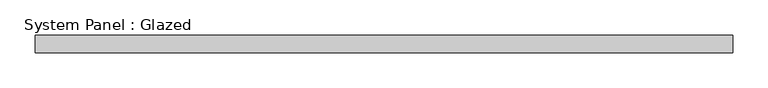
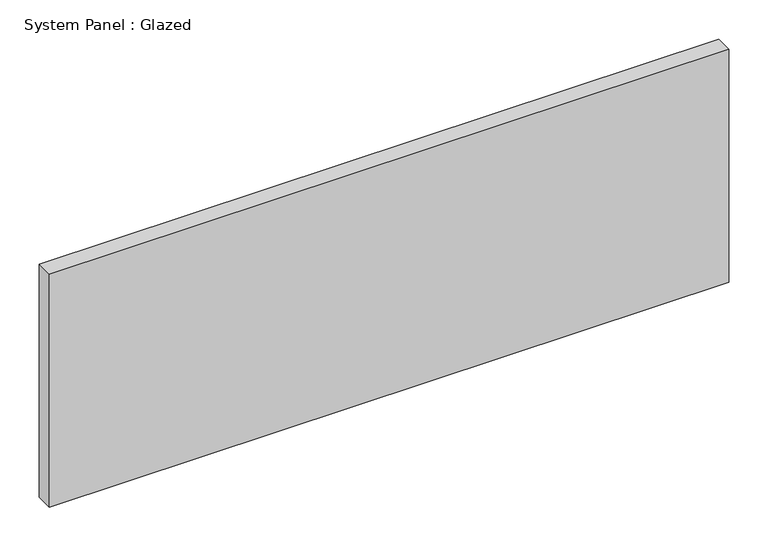
"""IFC4 building model written with IfcOpenShell, lengths in millimetres: plate geometry, System Panel : Glazed."""

from ifc_helpers import new_model, si_unit, origin, origin_with_axes, place, context, project, spatial, polyline, outline, extrude, source, transform, mapped, element, save


def system_panel_glazed_cc0f7331(model_context):
    return source(origin(), model_context, "Body", "SweptSolid", [
        extrude(outline(polyline([(498.475, -12.7), (-498.475, -12.7), (-498.475, 12.7), (498.475, 12.7), (498.475, -12.7)])), origin_with_axes(), (0.0, 0.0, 1.0), 361.45),
    ])


if __name__ == "__main__":
    model = new_model("IFC4")
    model_context = context("Model", 3, world=origin())
    ifc_project = project(units=[si_unit("LENGTHUNIT", "METRE", prefix="MILLI")], contexts=[model_context])
    site = spatial("IfcSite", under=ifc_project)
    building = spatial("IfcBuilding", under=site)
    placement = place(None, origin())
    system_panel_glazed_shape = system_panel_glazed_cc0f7331(model_context)
    element("IfcPlate", 1, ObjectType="System Panel : Glazed", at=placement, inside=building, context=model_context, shape_type="MappedRepresentation", body=[
        mapped(system_panel_glazed_shape, transform((0.0, 0.0, 0.0), x_axis=(1.0, 0.0, 0.0), y_axis=(0.0, 1.0, 0.0), z_axis=(0.0, 0.0, 1.0))),
    ])
    save(model, "model.ifc")
